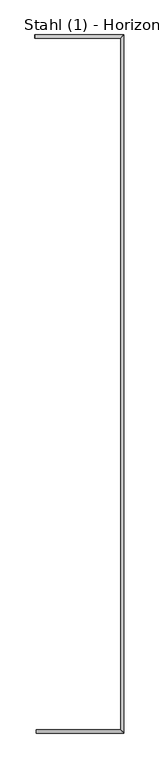
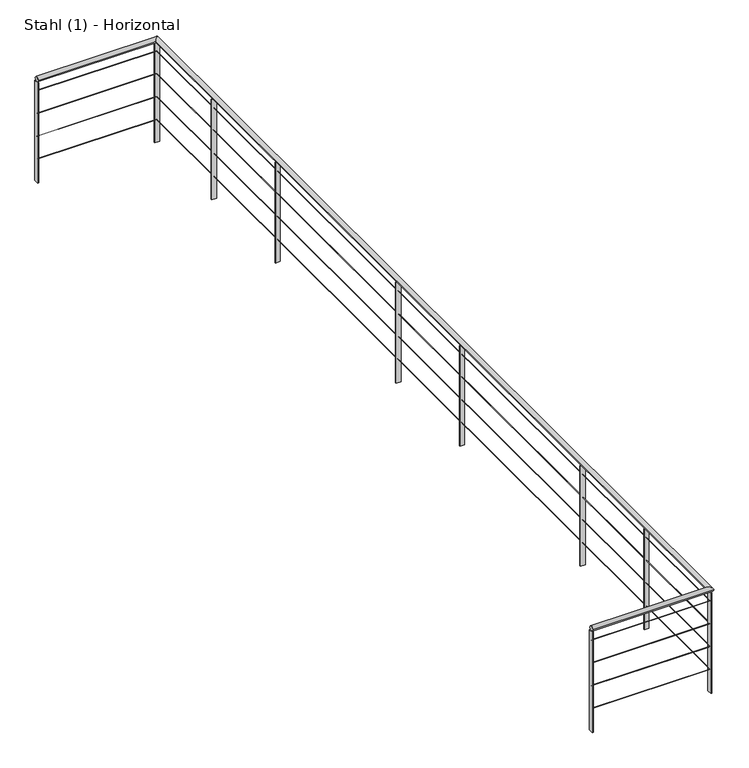
"""IFC4 building model written with IfcOpenShell, lengths in millimetres: railing geometry, Stahl (1) - Horizontal."""

from ifc_helpers import new_model, si_unit, frame, origin, place, context, project, spatial, polyline, circle_curve, ellipse_curve, outline, extrude, source, transform, mapped, element, save
from ifc_brep_helpers import plane_surface, cylinder_surface, advanced_brep


def stahl_1_horizontal_440750c9(model_context):
    return source(origin(), model_context, "Body", "SolidModel", [
        advanced_brep(
        [(34790.7514238, 28272.2783324, 4700.0), (34790.7514238, 28312.2783324, 4700.0), (35754.11401, 28312.2783324, 4700.0), (35794.11401, 28272.2783324, 4700.0), (35754.11401, 36230.1454958, 4700.0), (35794.11401, 36270.1454958, 4700.0), (34777.61401, 36270.1454958, 4700.0), (34777.61401, 36230.1454958, 4700.0)],
        [
            (0, 1, circle_curve(frame((34790.7514238, 28292.2783324, 4700.0), z_axis=(-1.0, 0.0, 0.0), x_axis=(0.0, 1.0, 0.0)), 20.0)),
            (1, 0, circle_curve(frame((34790.7514238, 28292.2783324, 4700.0), z_axis=(-1.0, 0.0, 0.0), x_axis=(0.0, 1.0, 0.0)), 20.0)),
            (1, 2),
            (2, 3, ellipse_curve(frame((35774.11401, 28292.2783324, 4700.0), z_axis=(-0.7071067811865475, -0.7071067811865475, 0.0), x_axis=(-0.7071067811865476, 0.7071067811865474, 0.0)), 28.2842712, 20.0)),
            (3, 0),
            (3, 2, ellipse_curve(frame((35774.11401, 28292.2783324, 4700.0), z_axis=(-0.7071067811865475, -0.7071067811865475, 0.0), x_axis=(-0.7071067811865476, 0.7071067811865474, 0.0)), 28.2842712, 20.0)),
            (2, 4),
            (4, 5, ellipse_curve(frame((35774.11401, 36250.1454958, 4700.0), z_axis=(0.7071067811865475, -0.7071067811865475, 0.0), x_axis=(-0.7071067811865474, -0.7071067811865476, 0.0)), 28.2842712, 20.0)),
            (5, 3),
            (5, 4, ellipse_curve(frame((35774.11401, 36250.1454958, 4700.0), z_axis=(0.7071067811865475, -0.7071067811865475, 0.0), x_axis=(-0.7071067811865474, -0.7071067811865476, 0.0)), 28.2842712, 20.0)),
            (6, 7, circle_curve(frame((34777.61401, 36250.1454958, 4700.0), z_axis=(-1.0, 0.0, 0.0), x_axis=(0.0, -1.0, 0.0)), 20.0)),
            (7, 6, circle_curve(frame((34777.61401, 36250.1454958, 4700.0), z_axis=(-1.0, 0.0, 0.0), x_axis=(0.0, -1.0, 0.0)), 20.0)),
            (4, 7),
            (6, 5),
        ],
        [
            plane_surface(frame((34790.7514238, 28292.2783324, 4720.0), z_axis=(-1.0, 0.0, 0.0), x_axis=(0.0, 1.0, 0.0))),
            cylinder_surface(frame((34790.7514238, 28292.2783324, 4700.0), z_axis=(-1.0, 0.0, 0.0), x_axis=(0.0, 1.0, 0.0)), 20.0),
            cylinder_surface(frame((35774.11401, 28292.2783324, 4700.0), z_axis=(0.0, -1.0, 0.0), x_axis=(-1.0, 0.0, 0.0)), 20.0),
            plane_surface(frame((34777.61401, 36250.1454958, 4720.0), z_axis=(-1.0, 0.0, 0.0), x_axis=(0.0, -1.0, 0.0))),
            cylinder_surface(frame((35774.11401, 36250.1454958, 4700.0), z_axis=(1.0, 0.0, 0.0), x_axis=(0.0, -1.0, 0.0)), 20.0),
        ],
        [
            (0, [[1, 2]]),
            (1, [[-2, 3, 4, 5]]),
            (1, [[-1, -5, 6, -3]]),
            (2, [[-4, 7, 8, 9]]),
            (2, [[-6, -9, 10, -7]]),
            (3, [[11, 12]]),
            (4, [[-8, 13, -11, 14]]),
            (4, [[-10, -14, -12, -13]]),
        ],
    ),
        advanced_brep(
        [(34790.7514238, 28290.7783324, 4598.5), (34790.7514238, 28293.7783324, 4598.5), (35772.61401, 28293.7783324, 4598.5), (35775.61401, 28290.7783324, 4598.5), (35772.61401, 36248.6454958, 4598.5), (35775.61401, 36251.6454958, 4598.5), (34777.61401, 36251.6454958, 4598.5), (34777.61401, 36248.6454958, 4598.5)],
        [
            (0, 1, circle_curve(frame((34790.7514238, 28292.2783324, 4598.5), z_axis=(-1.0, 0.0, 0.0), x_axis=(0.0, 1.0, 0.0)), 1.5)),
            (1, 0, circle_curve(frame((34790.7514238, 28292.2783324, 4598.5), z_axis=(-1.0, 0.0, 0.0), x_axis=(0.0, 1.0, 0.0)), 1.5)),
            (1, 2),
            (2, 3, ellipse_curve(frame((35774.11401, 28292.2783324, 4598.5), z_axis=(-0.7071067811865475, -0.7071067811865475, 0.0), x_axis=(-0.7071067811865476, 0.7071067811865474, 0.0)), 2.1213203, 1.5)),
            (3, 0),
            (3, 2, ellipse_curve(frame((35774.11401, 28292.2783324, 4598.5), z_axis=(-0.7071067811865475, -0.7071067811865475, 0.0), x_axis=(-0.7071067811865476, 0.7071067811865474, 0.0)), 2.1213203, 1.5)),
            (2, 4),
            (4, 5, ellipse_curve(frame((35774.11401, 36250.1454958, 4598.5), z_axis=(0.7071067811865475, -0.7071067811865475, 0.0), x_axis=(-0.7071067811865474, -0.7071067811865476, 0.0)), 2.1213203, 1.5)),
            (5, 3),
            (5, 4, ellipse_curve(frame((35774.11401, 36250.1454958, 4598.5), z_axis=(0.7071067811865475, -0.7071067811865475, 0.0), x_axis=(-0.7071067811865474, -0.7071067811865476, 0.0)), 2.1213203, 1.5)),
            (6, 7, circle_curve(frame((34777.61401, 36250.1454958, 4598.5), z_axis=(-1.0, 0.0, 0.0), x_axis=(0.0, -1.0, 0.0)), 1.5)),
            (7, 6, circle_curve(frame((34777.61401, 36250.1454958, 4598.5), z_axis=(-1.0, 0.0, 0.0), x_axis=(0.0, -1.0, 0.0)), 1.5)),
            (4, 7),
            (6, 5),
        ],
        [
            plane_surface(frame((34790.7514238, 28292.2783324, 4600.0), z_axis=(-1.0, 0.0, 0.0), x_axis=(0.0, 1.0, 0.0))),
            cylinder_surface(frame((34790.7514238, 28292.2783324, 4598.5), z_axis=(-1.0, 0.0, 0.0), x_axis=(0.0, 1.0, 0.0)), 1.5),
            cylinder_surface(frame((35774.11401, 28292.2783324, 4598.5), z_axis=(0.0, -1.0, 0.0), x_axis=(-1.0, 0.0, 0.0)), 1.5),
            plane_surface(frame((34777.61401, 36250.1454958, 4600.0), z_axis=(-1.0, 0.0, 0.0), x_axis=(0.0, -1.0, 0.0))),
            cylinder_surface(frame((35774.11401, 36250.1454958, 4598.5), z_axis=(1.0, 0.0, 0.0), x_axis=(0.0, -1.0, 0.0)), 1.5),
        ],
        [
            (0, [[1, 2]]),
            (1, [[-2, 3, 4, 5]]),
            (1, [[-1, -5, 6, -3]]),
            (2, [[-4, 7, 8, 9]]),
            (2, [[-6, -9, 10, -7]]),
            (3, [[11, 12]]),
            (4, [[-8, 13, -11, 14]]),
            (4, [[-10, -14, -12, -13]]),
        ],
    ),
        advanced_brep(
        [(34790.7514238, 28290.7783324, 4398.5), (34790.7514238, 28293.7783324, 4398.5), (35772.61401, 28293.7783324, 4398.5), (35775.61401, 28290.7783324, 4398.5), (35772.61401, 36248.6454958, 4398.5), (35775.61401, 36251.6454958, 4398.5), (34777.61401, 36251.6454958, 4398.5), (34777.61401, 36248.6454958, 4398.5)],
        [
            (0, 1, circle_curve(frame((34790.7514238, 28292.2783324, 4398.5), z_axis=(-1.0, 0.0, 0.0), x_axis=(0.0, 1.0, 0.0)), 1.5)),
            (1, 0, circle_curve(frame((34790.7514238, 28292.2783324, 4398.5), z_axis=(-1.0, 0.0, 0.0), x_axis=(0.0, 1.0, 0.0)), 1.5)),
            (1, 2),
            (2, 3, ellipse_curve(frame((35774.11401, 28292.2783324, 4398.5), z_axis=(-0.7071067811865475, -0.7071067811865475, 0.0), x_axis=(-0.7071067811865476, 0.7071067811865474, 0.0)), 2.1213203, 1.5)),
            (3, 0),
            (3, 2, ellipse_curve(frame((35774.11401, 28292.2783324, 4398.5), z_axis=(-0.7071067811865475, -0.7071067811865475, 0.0), x_axis=(-0.7071067811865476, 0.7071067811865474, 0.0)), 2.1213203, 1.5)),
            (2, 4),
            (4, 5, ellipse_curve(frame((35774.11401, 36250.1454958, 4398.5), z_axis=(0.7071067811865475, -0.7071067811865475, 0.0), x_axis=(-0.7071067811865474, -0.7071067811865476, 0.0)), 2.1213203, 1.5)),
            (5, 3),
            (5, 4, ellipse_curve(frame((35774.11401, 36250.1454958, 4398.5), z_axis=(0.7071067811865475, -0.7071067811865475, 0.0), x_axis=(-0.7071067811865474, -0.7071067811865476, 0.0)), 2.1213203, 1.5)),
            (6, 7, circle_curve(frame((34777.61401, 36250.1454958, 4398.5), z_axis=(-1.0, 0.0, 0.0), x_axis=(0.0, -1.0, 0.0)), 1.5)),
            (7, 6, circle_curve(frame((34777.61401, 36250.1454958, 4398.5), z_axis=(-1.0, 0.0, 0.0), x_axis=(0.0, -1.0, 0.0)), 1.5)),
            (4, 7),
            (6, 5),
        ],
        [
            plane_surface(frame((34790.7514238, 28292.2783324, 4400.0), z_axis=(-1.0, 0.0, 0.0), x_axis=(0.0, 1.0, 0.0))),
            cylinder_surface(frame((34790.7514238, 28292.2783324, 4398.5), z_axis=(-1.0, 0.0, 0.0), x_axis=(0.0, 1.0, 0.0)), 1.5),
            cylinder_surface(frame((35774.11401, 28292.2783324, 4398.5), z_axis=(0.0, -1.0, 0.0), x_axis=(-1.0, 0.0, 0.0)), 1.5),
            plane_surface(frame((34777.61401, 36250.1454958, 4400.0), z_axis=(-1.0, 0.0, 0.0), x_axis=(0.0, -1.0, 0.0))),
            cylinder_surface(frame((35774.11401, 36250.1454958, 4398.5), z_axis=(1.0, 0.0, 0.0), x_axis=(0.0, -1.0, 0.0)), 1.5),
        ],
        [
            (0, [[1, 2]]),
            (1, [[-2, 3, 4, 5]]),
            (1, [[-1, -5, 6, -3]]),
            (2, [[-4, 7, 8, 9]]),
            (2, [[-6, -9, 10, -7]]),
            (3, [[11, 12]]),
            (4, [[-8, 13, -11, 14]]),
            (4, [[-10, -14, -12, -13]]),
        ],
    ),
        advanced_brep(
        [(34790.7514238, 28290.7783324, 4198.5), (34790.7514238, 28293.7783324, 4198.5), (35772.61401, 28293.7783324, 4198.5), (35775.61401, 28290.7783324, 4198.5), (35772.61401, 36248.6454958, 4198.5), (35775.61401, 36251.6454958, 4198.5), (34777.61401, 36251.6454958, 4198.5), (34777.61401, 36248.6454958, 4198.5)],
        [
            (0, 1, circle_curve(frame((34790.7514238, 28292.2783324, 4198.5), z_axis=(-1.0, 0.0, 0.0), x_axis=(0.0, 1.0, 0.0)), 1.5)),
            (1, 0, circle_curve(frame((34790.7514238, 28292.2783324, 4198.5), z_axis=(-1.0, 0.0, 0.0), x_axis=(0.0, 1.0, 0.0)), 1.5)),
            (1, 2),
            (2, 3, ellipse_curve(frame((35774.11401, 28292.2783324, 4198.5), z_axis=(-0.7071067811865475, -0.7071067811865475, 0.0), x_axis=(-0.7071067811865476, 0.7071067811865474, 0.0)), 2.1213203, 1.5)),
            (3, 0),
            (3, 2, ellipse_curve(frame((35774.11401, 28292.2783324, 4198.5), z_axis=(-0.7071067811865475, -0.7071067811865475, 0.0), x_axis=(-0.7071067811865476, 0.7071067811865474, 0.0)), 2.1213203, 1.5)),
            (2, 4),
            (4, 5, ellipse_curve(frame((35774.11401, 36250.1454958, 4198.5), z_axis=(0.7071067811865475, -0.7071067811865475, 0.0), x_axis=(-0.7071067811865474, -0.7071067811865476, 0.0)), 2.1213203, 1.5)),
            (5, 3),
            (5, 4, ellipse_curve(frame((35774.11401, 36250.1454958, 4198.5), z_axis=(0.7071067811865475, -0.7071067811865475, 0.0), x_axis=(-0.7071067811865474, -0.7071067811865476, 0.0)), 2.1213203, 1.5)),
            (6, 7, circle_curve(frame((34777.61401, 36250.1454958, 4198.5), z_axis=(-1.0, 0.0, 0.0), x_axis=(0.0, -1.0, 0.0)), 1.5)),
            (7, 6, circle_curve(frame((34777.61401, 36250.1454958, 4198.5), z_axis=(-1.0, 0.0, 0.0), x_axis=(0.0, -1.0, 0.0)), 1.5)),
            (4, 7),
            (6, 5),
        ],
        [
            plane_surface(frame((34790.7514238, 28292.2783324, 4200.0), z_axis=(-1.0, 0.0, 0.0), x_axis=(0.0, 1.0, 0.0))),
            cylinder_surface(frame((34790.7514238, 28292.2783324, 4198.5), z_axis=(-1.0, 0.0, 0.0), x_axis=(0.0, 1.0, 0.0)), 1.5),
            cylinder_surface(frame((35774.11401, 28292.2783324, 4198.5), z_axis=(0.0, -1.0, 0.0), x_axis=(-1.0, 0.0, 0.0)), 1.5),
            plane_surface(frame((34777.61401, 36250.1454958, 4200.0), z_axis=(-1.0, 0.0, 0.0), x_axis=(0.0, -1.0, 0.0))),
            cylinder_surface(frame((35774.11401, 36250.1454958, 4198.5), z_axis=(1.0, 0.0, 0.0), x_axis=(0.0, -1.0, 0.0)), 1.5),
        ],
        [
            (0, [[1, 2]]),
            (1, [[-2, 3, 4, 5]]),
            (1, [[-1, -5, 6, -3]]),
            (2, [[-4, 7, 8, 9]]),
            (2, [[-6, -9, 10, -7]]),
            (3, [[11, 12]]),
            (4, [[-8, 13, -11, 14]]),
            (4, [[-10, -14, -12, -13]]),
        ],
    ),
        advanced_brep(
        [(34790.7514238, 28290.7783324, 3998.5), (34790.7514238, 28293.7783324, 3998.5), (35772.61401, 28293.7783324, 3998.5), (35775.61401, 28290.7783324, 3998.5), (35772.61401, 36248.6454958, 3998.5), (35775.61401, 36251.6454958, 3998.5), (34777.61401, 36251.6454958, 3998.5), (34777.61401, 36248.6454958, 3998.5)],
        [
            (0, 1, circle_curve(frame((34790.7514238, 28292.2783324, 3998.5), z_axis=(-1.0, 0.0, 0.0), x_axis=(0.0, 1.0, 0.0)), 1.5)),
            (1, 0, circle_curve(frame((34790.7514238, 28292.2783324, 3998.5), z_axis=(-1.0, 0.0, 0.0), x_axis=(0.0, 1.0, 0.0)), 1.5)),
            (1, 2),
            (2, 3, ellipse_curve(frame((35774.11401, 28292.2783324, 3998.5), z_axis=(-0.7071067811865475, -0.7071067811865475, 0.0), x_axis=(-0.7071067811865476, 0.7071067811865474, 0.0)), 2.1213203, 1.5)),
            (3, 0),
            (3, 2, ellipse_curve(frame((35774.11401, 28292.2783324, 3998.5), z_axis=(-0.7071067811865475, -0.7071067811865475, 0.0), x_axis=(-0.7071067811865476, 0.7071067811865474, 0.0)), 2.1213203, 1.5)),
            (2, 4),
            (4, 5, ellipse_curve(frame((35774.11401, 36250.1454958, 3998.5), z_axis=(0.7071067811865475, -0.7071067811865475, 0.0), x_axis=(-0.7071067811865474, -0.7071067811865476, 0.0)), 2.1213203, 1.5)),
            (5, 3),
            (5, 4, ellipse_curve(frame((35774.11401, 36250.1454958, 3998.5), z_axis=(0.7071067811865475, -0.7071067811865475, 0.0), x_axis=(-0.7071067811865474, -0.7071067811865476, 0.0)), 2.1213203, 1.5)),
            (6, 7, circle_curve(frame((34777.61401, 36250.1454958, 3998.5), z_axis=(-1.0, 0.0, 0.0), x_axis=(0.0, -1.0, 0.0)), 1.5)),
            (7, 6, circle_curve(frame((34777.61401, 36250.1454958, 3998.5), z_axis=(-1.0, 0.0, 0.0), x_axis=(0.0, -1.0, 0.0)), 1.5)),
            (4, 7),
            (6, 5),
        ],
        [
            plane_surface(frame((34790.7514238, 28292.2783324, 4000.0), z_axis=(-1.0, 0.0, 0.0), x_axis=(0.0, 1.0, 0.0))),
            cylinder_surface(frame((34790.7514238, 28292.2783324, 3998.5), z_axis=(-1.0, 0.0, 0.0), x_axis=(0.0, 1.0, 0.0)), 1.5),
            cylinder_surface(frame((35774.11401, 28292.2783324, 3998.5), z_axis=(0.0, -1.0, 0.0), x_axis=(-1.0, 0.0, 0.0)), 1.5),
            plane_surface(frame((34777.61401, 36250.1454958, 4000.0), z_axis=(-1.0, 0.0, 0.0), x_axis=(0.0, -1.0, 0.0))),
            cylinder_surface(frame((35774.11401, 36250.1454958, 3998.5), z_axis=(1.0, 0.0, 0.0), x_axis=(0.0, -1.0, 0.0)), 1.5),
        ],
        [
            (0, [[1, 2]]),
            (1, [[-2, 3, 4, 5]]),
            (1, [[-1, -5, 6, -3]]),
            (2, [[-4, 7, 8, 9]]),
            (2, [[-6, -9, 10, -7]]),
            (3, [[11, 12]]),
            (4, [[-8, 13, -11, 14]]),
            (4, [[-10, -14, -12, -13]]),
        ],
    ),
        extrude(outline(polyline([(35754.11401, 35422.9178582), (35754.11401, 35430.9178582), (35794.11401, 35430.9178582), (35794.11401, 35422.9178582), (35754.11401, 35422.9178582)])), frame((0.0, 0.0, 3800.0), z_axis=(0.0, 0.0, 1.0), x_axis=(1.0, 0.0, 0.0)), (0.0, 0.0, 1.0), 880.0),
        extrude(outline(polyline([(35754.11401, 34508.2204831), (35754.11401, 34516.2204831), (35794.11401, 34516.2204831), (35794.11401, 34508.2204831), (35754.11401, 34508.2204831)])), frame((0.0, 0.0, 3800.0), z_axis=(0.0, 0.0, 1.0), x_axis=(1.0, 0.0, 0.0)), (0.0, 0.0, 1.0), 880.0),
        extrude(outline(polyline([(35754.11401, 32770.2954704), (35754.11401, 32778.2954704), (35794.11401, 32778.2954704), (35794.11401, 32770.2954704), (35754.11401, 32770.2954704)])), frame((0.0, 0.0, 3800.0), z_axis=(0.0, 0.0, 1.0), x_axis=(1.0, 0.0, 0.0)), (0.0, 0.0, 1.0), 880.0),
        extrude(outline(polyline([(35754.11401, 31855.5980953), (35754.11401, 31863.5980953), (35794.11401, 31863.5980953), (35794.11401, 31855.5980953), (35754.11401, 31855.5980953)])), frame((0.0, 0.0, 3800.0), z_axis=(0.0, 0.0, 1.0), x_axis=(1.0, 0.0, 0.0)), (0.0, 0.0, 1.0), 880.0),
        extrude(outline(polyline([(35754.11401, 30117.6730826), (35754.11401, 30125.6730826), (35794.11401, 30125.6730826), (35794.11401, 30117.6730826), (35754.11401, 30117.6730826)])), frame((0.0, 0.0, 3800.0), z_axis=(0.0, 0.0, 1.0), x_axis=(1.0, 0.0, 0.0)), (0.0, 0.0, 1.0), 880.0),
        extrude(outline(polyline([(35754.11401, 29202.9757075), (35754.11401, 29210.9757075), (35794.11401, 29210.9757075), (35794.11401, 29202.9757075), (35754.11401, 29202.9757075)])), frame((0.0, 0.0, 3800.0), z_axis=(0.0, 0.0, 1.0), x_axis=(1.0, 0.0, 0.0)), (0.0, 0.0, 1.0), 880.0),
        extrude(outline(polyline([(35754.11401, 36246.1454958), (35754.11401, 36254.1454958), (35794.11401, 36254.1454958), (35794.11401, 36246.1454958), (35754.11401, 36246.1454958)])), frame((0.0, 0.0, 3800.0), z_axis=(0.0, 0.0, 1.0), x_axis=(1.0, 0.0, 0.0)), (0.0, 0.0, 1.0), 880.0),
        extrude(outline(polyline([(35770.11401, 28312.2783324), (35778.11401, 28312.2783324), (35778.11401, 28272.2783324), (35770.11401, 28272.2783324), (35770.11401, 28312.2783324)])), frame((0.0, 0.0, 3800.0), z_axis=(0.0, 0.0, 1.0), x_axis=(1.0, 0.0, 0.0)), (0.0, 0.0, 1.0), 880.0),
        extrude(outline(polyline([(34781.61401, 36230.1454958), (34773.61401, 36230.1454958), (34773.61401, 36270.1454958), (34781.61401, 36270.1454958), (34781.61401, 36230.1454958)])), frame((0.0, 0.0, 3800.0), z_axis=(0.0, 0.0, 1.0), x_axis=(1.0, 0.0, 0.0)), (0.0, 0.0, 1.0), 880.0),
        extrude(outline(polyline([(34786.7514238, 28312.2783324), (34794.7514238, 28312.2783324), (34794.7514238, 28272.2783324), (34786.7514238, 28272.2783324), (34786.7514238, 28312.2783324)])), frame((0.0, 0.0, 3800.0), z_axis=(0.0, 0.0, 1.0), x_axis=(1.0, 0.0, 0.0)), (0.0, 0.0, 1.0), 880.0),
    ])


if __name__ == "__main__":
    model = new_model("IFC4")
    model_context = context("Model", 3, world=origin())
    ifc_project = project(units=[si_unit("LENGTHUNIT", "METRE", prefix="MILLI")], contexts=[model_context])
    site = spatial("IfcSite", under=ifc_project)
    building = spatial("IfcBuilding", under=site)
    placement = place(None, origin())
    stahl_1_horizontal_shape = stahl_1_horizontal_440750c9(model_context)
    element("IfcRailing", 1, ObjectType="Stahl (1) - Horizontal", at=placement, inside=building, context=model_context, shape_type="MappedRepresentation", body=[
        mapped(stahl_1_horizontal_shape, transform((0.0, 0.0, 0.0), x_axis=(1.0, 0.0, 0.0), y_axis=(0.0, 1.0, 0.0), z_axis=(0.0, 0.0, 1.0))),
    ])
    save(model, "model.ifc")
